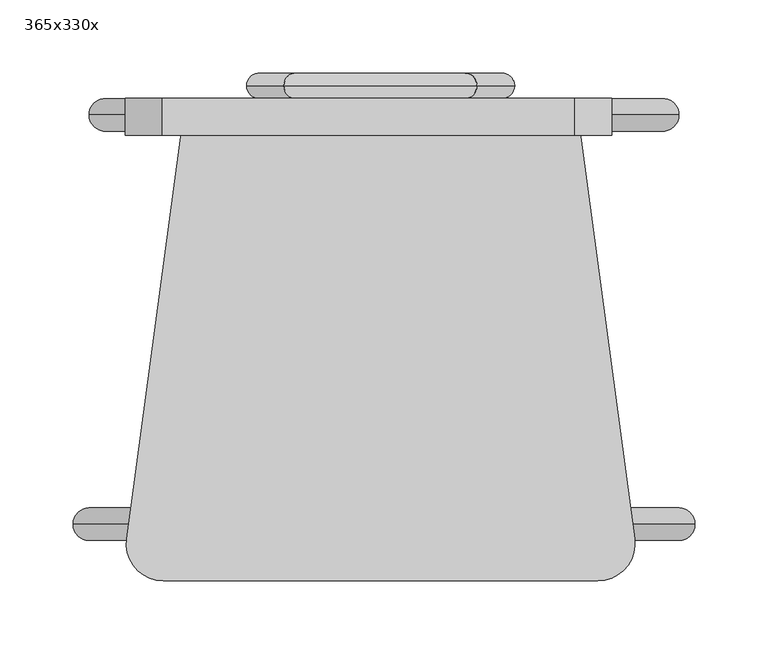
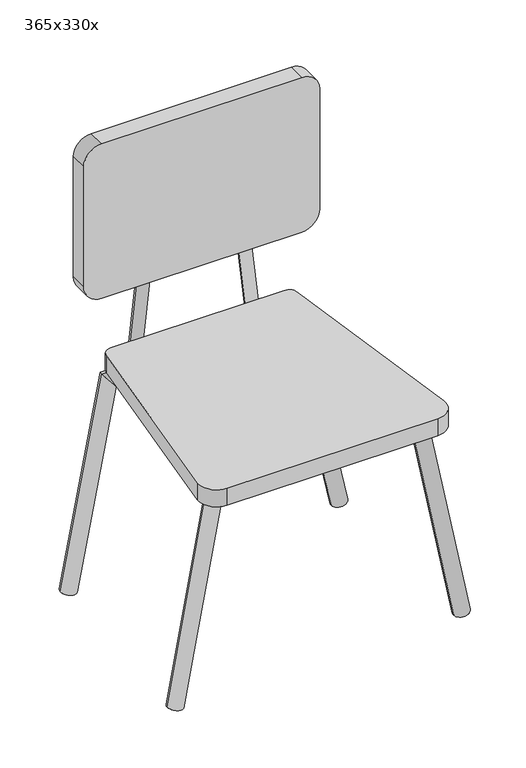
"""IFC4 building model written with IfcOpenShell, lengths in millimetres: furniture geometry, 365x330x."""

from ifc_helpers import new_model, si_unit, point, frame, frame_2d, origin, place, context, project, spatial, polyline, circle_curve, ellipse_curve, trimmed, segment, composite_curve, outline, extrude, source, transform, mapped, element, save
from ifc_brep_helpers import plane_surface, cylinder_surface, advanced_brep


def furniture_365x330x_456edcc3(model_context):
    return source(origin(), model_context, "Body", "SolidModel", [
        extrude(outline(composite_curve([segment(trimmed(circle_curve(frame_2d((173.0506287, 63.5)), 12.7), [point((173.0506287, 76.2))], [point((185.6371282, 65.1941169))], False, "CARTESIAN"), True, "CONTINUOUS"), segment(polyline([(185.6371282, 65.1941169), (224.7251629, -225.2117661)]), True, "CONTINUOUS"), segment(trimmed(circle_curve(frame_2d((199.5521641, -228.6)), 25.4), [point((224.7251629, -225.2117661))], [point((199.5521641, -254.0))], False, "CARTESIAN"), True, "CONTINUOUS"), segment(polyline([(199.5521641, -254.0), (-97.9521641, -254.0)]), True, "CONTINUOUS"), segment(trimmed(circle_curve(frame_2d((-97.9521641, -228.6)), 25.4), [point((-97.9521641, -254.0))], [point((-123.1251629, -225.2117661))], False, "CARTESIAN"), True, "CONTINUOUS"), segment(polyline([(-123.1251629, -225.2117661), (-84.0371282, 65.1941169)]), True, "CONTINUOUS"), segment(trimmed(circle_curve(frame_2d((-71.4506287, 63.5)), 12.7), [point((-84.0371282, 65.1941169))], [point((-71.4506287, 76.2))], False, "CARTESIAN"), True, "CONTINUOUS"), segment(polyline([(-71.4506287, 76.2), (173.0506287, 76.2)]), True, "CONTINUOUS")], self_intersect=False)), frame((0.0, 0.0, 304.8), z_axis=(0.0, 0.0, 1.0), x_axis=(1.0, 0.0, 0.0)), (0.0, 0.0, 1.0), 25.4),
        advanced_brep(
        [(-137.9366546, -215.2971399, -1.9958172), (-159.8002654, -215.2971399, 1.9958172), (-85.9826253, -215.2971399, 282.575), (-104.5173747, -215.2971399, 304.8), (187.7254912, -215.2971399, 282.575), (205.9745088, -215.2971399, 304.8), (244.2132111, -215.2971399, -2.1624146), (266.0133597, -215.2971399, 2.1624146)],
        [
            (0, 1, circle_curve(frame((-148.86846, -215.2971399, 0.0), z_axis=(-0.17960110025400666, 0.0, -0.9837395208018992), x_axis=(-0.9837395208018992, 0.0, 0.17960110025400666)), 11.1125)),
            (1, 0, circle_curve(frame((-148.86846, -215.2971399, 0.0), z_axis=(-0.17960110025400666, 0.0, -0.9837395208018992), x_axis=(-0.9837395208018992, 0.0, 0.17960110025400666)), 11.1125)),
            (0, 2),
            (2, 3, ellipse_curve(frame((-95.25, -215.2971399, 293.6875), z_axis=(-0.7679847330038555, 0.0, -0.6404681489918109), x_axis=(0.6404681489918108, 0.0, -0.767984733003856)), 14.4696887, 11.1125)),
            (3, 1),
            (3, 2, ellipse_curve(frame((-95.25, -215.2971399, 293.6875), z_axis=(-0.7679847330038555, 0.0, -0.6404681489918109), x_axis=(0.6404681489918108, 0.0, -0.767984733003856)), 14.4696887, 11.1125)),
            (2, 4),
            (4, 5, ellipse_curve(frame((196.85, -215.2971399, 293.6875), z_axis=(-0.7728495940756692, 0.0, 0.6345892411135515), x_axis=(-0.6345892411135516, 0.0, -0.7728495940756692)), 14.3786062, 11.1125)),
            (5, 3),
            (5, 4, ellipse_curve(frame((196.85, -215.2971399, 293.6875), z_axis=(-0.7728495940756692, 0.0, 0.6345892411135515), x_axis=(-0.6345892411135516, 0.0, -0.7728495940756692)), 14.3786062, 11.1125)),
            (6, 7, circle_curve(frame((255.1132854, -215.2971399, 0.0), z_axis=(0.19459299012585332, 0.0, -0.9808840747987907), x_axis=(0.9808840747987907, 0.0, 0.19459299012585332)), 11.1125)),
            (7, 6, circle_curve(frame((255.1132854, -215.2971399, 0.0), z_axis=(0.19459299012585332, 0.0, -0.9808840747987907), x_axis=(0.9808840747987907, 0.0, 0.19459299012585332)), 11.1125)),
            (4, 6),
            (7, 5),
        ],
        [
            plane_surface(frame((-148.86846, -252.1902396, 0.0), z_axis=(-0.17960110025400677, 0.0, -0.9837395208018992), x_axis=(0.9837395208018992, 0.0, -0.17960110025400677))),
            cylinder_surface(frame((-148.86846, -215.2971399, 0.0), z_axis=(-0.17960110025400666, 0.0, -0.9837395208018992), x_axis=(-0.9837395208018992, 0.0, 0.17960110025400666)), 11.1125),
            cylinder_surface(frame((-95.25, -215.2971399, 293.6875), z_axis=(-1.0, 0.0, 0.0), x_axis=(0.0, 0.0, 1.0)), 11.1125),
            plane_surface(frame((255.1132854, -205.0097604, 0.0), z_axis=(0.19459299012585318, 0.0, -0.9808840747987907), x_axis=(0.9808840747987907, 0.0, 0.19459299012585318))),
            cylinder_surface(frame((196.85, -215.2971399, 293.6875), z_axis=(-0.19459299012585332, 0.0, 0.9808840747987907), x_axis=(0.9808840747987907, 0.0, 0.19459299012585332)), 11.1125),
        ],
        [
            (0, [[1, 2]]),
            (1, [[-1, 3, 4, 5]]),
            (1, [[-2, -5, 6, -3]]),
            (2, [[-4, 7, 8, 9]]),
            (2, [[-6, -9, 10, -7]]),
            (3, [[11, 12]]),
            (4, [[-8, 13, -12, 14]]),
            (4, [[-10, -14, -11, -13]]),
        ],
    ),
        advanced_brep(
        [(125.2896526, 84.8495808, 303.8587727), (142.4860871, 84.8495808, 305.7412273), (101.1091469, 84.8495808, 524.7504192), (116.6179495, 84.8495808, 542.0495808), (0.0486867, 84.8495808, 524.7504192), (-15.4910113, 84.8495808, 542.0495808), (-23.6878072, 84.8495808, 303.8757864), (-40.8879325, 84.8495808, 305.7242136)],
        [
            (0, 1, circle_curve(frame((133.8878699, 84.8495808, 304.8), z_axis=(0.10881767437391393, 0.0, -0.994061725318832), x_axis=(0.994061725318832, 0.0, 0.10881767437391393)), 8.6495808)),
            (1, 0, circle_curve(frame((133.8878699, 84.8495808, 304.8), z_axis=(0.10881767437391393, 0.0, -0.994061725318832), x_axis=(0.994061725318832, 0.0, 0.10881767437391393)), 8.6495808)),
            (0, 2),
            (2, 3, ellipse_curve(frame((108.8635482, 84.8495808, 533.4), z_axis=(0.7445863530759609, 0.0, -0.6675261514075989), x_axis=(-0.6675261514075987, 0.0, -0.7445863530759608)), 11.6166255, 8.6495808)),
            (3, 1),
            (3, 2, ellipse_curve(frame((108.8635482, 84.8495808, 533.4), z_axis=(0.7445863530759609, 0.0, -0.6675261514075989), x_axis=(-0.6675261514075987, 0.0, -0.7445863530759608)), 11.6166255, 8.6495808)),
            (2, 4),
            (4, 5, ellipse_curve(frame((-7.7211623, 84.8495808, 533.4), z_axis=(0.743925627532211, 0.0, 0.6682624190397107), x_axis=(0.6682624190397107, 0.0, -0.743925627532211)), 11.6269429, 8.6495808)),
            (5, 3),
            (5, 4, ellipse_curve(frame((-7.7211623, 84.8495808, 533.4), z_axis=(0.743925627532211, 0.0, 0.6682624190397107), x_axis=(0.6682624190397107, 0.0, -0.743925627532211)), 11.6269429, 8.6495808)),
            (6, 7, circle_curve(frame((-32.2878699, 84.8495808, 304.8), z_axis=(-0.10685067859839315, 0.0, -0.99427507888062), x_axis=(-0.99427507888062, 0.0, 0.10685067859839315)), 8.6495808)),
            (7, 6, circle_curve(frame((-32.2878699, 84.8495808, 304.8), z_axis=(-0.10685067859839315, 0.0, -0.99427507888062), x_axis=(-0.99427507888062, 0.0, 0.10685067859839315)), 8.6495808)),
            (4, 6),
            (7, 5),
        ],
        [
            plane_surface(frame((133.8878699, 59.490293, 304.8), z_axis=(0.10881767437390888, 0.0, -0.9940617253188326), x_axis=(0.9940617253188326, 0.0, 0.10881767437390888))),
            cylinder_surface(frame((133.8878699, 84.8495808, 304.8), z_axis=(0.10881767437391393, 0.0, -0.994061725318832), x_axis=(0.994061725318832, 0.0, 0.10881767437391393)), 8.6495808),
            cylinder_surface(frame((108.8635482, 84.8495808, 533.4), z_axis=(1.0, 0.0, 0.0), x_axis=(0.0, 0.0, 1.0)), 8.6495808),
            plane_surface(frame((-32.2878699, 92.909707, 304.8), z_axis=(-0.10685067859839847, 0.0, -0.9942750788806193), x_axis=(0.9942750788806193, 0.0, -0.10685067859839847))),
            cylinder_surface(frame((-7.7211623, 84.8495808, 533.4), z_axis=(0.10685067859839315, 0.0, 0.99427507888062), x_axis=(-0.99427507888062, 0.0, 0.10685067859839315)), 8.6495808),
        ],
        [
            (0, [[1, 2]]),
            (1, [[-1, 3, 4, 5]]),
            (1, [[-2, -5, 6, -3]]),
            (2, [[-4, 7, 8, 9]]),
            (2, [[-6, -9, 10, -7]]),
            (3, [[11, 12]]),
            (4, [[-8, 13, -12, 14]]),
            (4, [[-10, -14, -11, -13]]),
        ],
    ),
        extrude(outline(composite_curve([segment(trimmed(circle_curve(frame_2d((634.10445, -98.7597335)), 25.4), [point((659.50445, -98.7597335))], [point((634.10445, -124.1597335))], False, "CARTESIAN"), True, "CONTINUOUS"), segment(polyline([(634.10445, -124.1597335), (454.6303361, -124.1597335)]), True, "CONTINUOUS"), segment(trimmed(circle_curve(frame_2d((454.6303361, -98.7597335)), 25.4), [point((454.6303361, -124.1597335))], [point((429.2303361, -98.7597335))], False, "CARTESIAN"), True, "CONTINUOUS"), segment(polyline([(429.2303361, -98.7597335), (429.2303361, 183.4976759)]), True, "CONTINUOUS"), segment(trimmed(circle_curve(frame_2d((454.6303361, 183.4976759)), 25.4), [point((429.2303361, 183.4976759))], [point((454.6303361, 208.8976759))], False, "CARTESIAN"), True, "CONTINUOUS"), segment(polyline([(454.6303361, 208.8976759), (634.10445, 208.8976759)]), True, "CONTINUOUS"), segment(trimmed(circle_curve(frame_2d((634.10445, 183.4976759)), 25.4), [point((634.10445, 208.8976759))], [point((659.50445, 183.4976759))], False, "CARTESIAN"), True, "CONTINUOUS"), segment(polyline([(659.50445, 183.4976759), (659.50445, -98.7597335)]), True, "CONTINUOUS")], self_intersect=False)), frame((0.0, 50.8, 0.0), z_axis=(0.0, 1.0, 0.0), x_axis=(0.0, 0.0, 1.0)), (0.0, 0.0, 1.0), 25.4),
        advanced_brep(
        [(-126.9939186, 64.9396414, -3.9236802), (-148.8252858, 64.9396414, 0.2406962), (-72.3437288, 64.9396414, 282.575), (-90.7299964, 64.9396414, 304.8), (172.5664518, 64.9396414, 282.575), (190.578215, 64.9396414, 304.8), (233.310067, 64.9396414, -4.2980327), (255.0529843, 64.9396414, 0.3058974)],
        [
            (0, 1, circle_curve(frame((-137.9096022, 64.9396414, -1.841492), z_axis=(-0.18737351913904796, 0.0, -0.9822887377576152), x_axis=(-0.9822887377576152, 0.0, 0.18737351913904796)), 11.1125)),
            (1, 0, circle_curve(frame((-137.9096022, 64.9396414, -1.841492), z_axis=(-0.18737351913904796, 0.0, -0.9822887377576152), x_axis=(-0.9822887377576152, 0.0, 0.18737351913904796)), 11.1125)),
            (0, 2),
            (2, 3, ellipse_curve(frame((-81.5368626, 64.9396414, 293.6875), z_axis=(-0.7705107134683619, 0.0, -0.6374270471438092), x_axis=(0.6374270471438092, 0.0, -0.7705107134683619)), 14.4222524, 11.1125)),
            (3, 1),
            (3, 2, ellipse_curve(frame((-81.5368626, 64.9396414, 293.6875), z_axis=(-0.7705107134683619, 0.0, -0.6374270471438092), x_axis=(0.6374270471438092, 0.0, -0.7705107134683619)), 14.4222524, 11.1125)),
            (2, 4),
            (4, 5, ellipse_curve(frame((181.5723334, 64.9396414, 293.6875), z_axis=(-0.7769012043315404, 0.0, 0.6296225208076677), x_axis=(-0.6296225208076678, 0.0, -0.7769012043315404)), 14.3036205, 11.1125)),
            (5, 3),
            (5, 4, ellipse_curve(frame((181.5723334, 64.9396414, 293.6875), z_axis=(-0.7769012043315404, 0.0, 0.6296225208076677), x_axis=(-0.6296225208076678, 0.0, -0.7769012043315404)), 14.3036205, 11.1125)),
            (6, 7, circle_curve(frame((244.1815257, 64.9396414, -1.9960676), z_axis=(0.2071509625835962, 0.0, -0.9783089893794749), x_axis=(0.9783089893794749, 0.0, 0.2071509625835962)), 11.1125)),
            (7, 6, circle_curve(frame((244.1815257, 64.9396414, -1.9960676), z_axis=(0.2071509625835962, 0.0, -0.9783089893794749), x_axis=(0.9783089893794749, 0.0, 0.2071509625835962)), 11.1125)),
            (4, 6),
            (7, 5),
        ],
        [
            plane_surface(frame((-137.9096022, 28.0465418, -1.841492), z_axis=(-0.1873735191390479, 0.0, -0.9822887377576152), x_axis=(0.9822887377576152, 0.0, -0.1873735191390479))),
            cylinder_surface(frame((-137.9096022, 64.9396414, -1.841492), z_axis=(-0.18737351913904796, 0.0, -0.9822887377576152), x_axis=(-0.9822887377576152, 0.0, 0.18737351913904796)), 11.1125),
            cylinder_surface(frame((-81.5368626, 64.9396414, 293.6875), z_axis=(-1.0, 0.0, 0.0), x_axis=(0.0, 0.0, 1.0)), 11.1125),
            plane_surface(frame((244.1815257, 75.227021, -1.9960676), z_axis=(0.20715096258359633, 0.0, -0.9783089893794749), x_axis=(0.9783089893794749, 0.0, 0.20715096258359633))),
            cylinder_surface(frame((181.5723334, 64.9396414, 293.6875), z_axis=(-0.2071509625835962, 0.0, 0.9783089893794749), x_axis=(0.9783089893794749, 0.0, 0.2071509625835962)), 11.1125),
        ],
        [
            (0, [[1, 2]]),
            (1, [[-1, 3, 4, 5]]),
            (1, [[-2, -5, 6, -3]]),
            (2, [[-4, 7, 8, 9]]),
            (2, [[-6, -9, 10, -7]]),
            (3, [[11, 12]]),
            (4, [[-8, 13, -12, 14]]),
            (4, [[-10, -14, -11, -13]]),
        ],
    ),
    ])


if __name__ == "__main__":
    model = new_model("IFC4")
    model_context = context("Model", 3, world=origin())
    ifc_project = project(units=[si_unit("LENGTHUNIT", "METRE", prefix="MILLI")], contexts=[model_context])
    site = spatial("IfcSite", under=ifc_project)
    building = spatial("IfcBuilding", under=site)
    placement = place(None, origin())
    furniture_365x330x_shape = furniture_365x330x_456edcc3(model_context)
    element("IfcFurniture", 1, ObjectType="365x330x", at=placement, inside=building, context=model_context, shape_type="MappedRepresentation", body=[
        mapped(furniture_365x330x_shape, transform((0.0, 0.0, 0.0), x_axis=(1.0, 0.0, 0.0), y_axis=(0.0, 1.0, 0.0), z_axis=(0.0, 0.0, 1.0))),
    ])
    save(model, "model.ifc")
